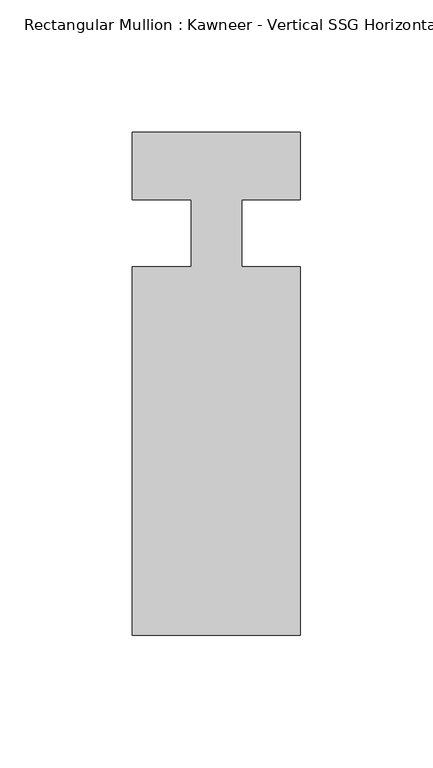
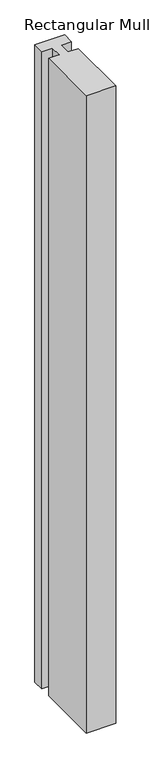
"""IFC4 building model written with IfcOpenShell, lengths in millimetres: member geometry."""

import ifcopenshell
import ifcopenshell.guid

model = None  # the IFC model being written
_history = None  # IfcOwnerHistory: only IFC2X3 demands one
_inside = {}  # id of a spatial element -> (the spatial element, [elements in it])
_under = {}  # id of a project, library or spatial element -> (it, [spatial elements below it])
_declared = {}  # id of a project -> (the project, [libraries it declares])
_typed = {}  # id of a type object -> (the type object, [elements of that type])
_made_of = {}  # id of a material, layer set ... -> (it, [elements and type objects made of it])


def new_model(schema):
    """Start an empty IFC model of exactly this schema.

    Asked for "IFC4X3", IfcOpenShell would pick the latest addendum, in which some entities
    have other attributes; the version numbers below select the first issue.
    IFC2X3 requires an IfcOwnerHistory on every rooted entity: one is made here for all.
    """
    global model, _history
    if schema == "IFC4X3":
        model = ifcopenshell.file(schema_version=(4, 3, 0, 0))
    else:
        model = ifcopenshell.file(schema=schema)
    _inside.clear()
    _under.clear()
    _declared.clear()
    _typed.clear()
    _made_of.clear()
    _history = None
    if model.schema == "IFC2X3":
        org = make("IfcOrganization", Name="unknown")
        user = make(
            "IfcPersonAndOrganization",
            ThePerson=make("IfcPerson", FamilyName="unknown"),
            TheOrganization=org,
        )
        app = make(
            "IfcApplication",
            ApplicationDeveloper=org,
            Version="unknown",
            ApplicationFullName="unknown",
            ApplicationIdentifier="unknown",
        )
        _history = make(
            "IfcOwnerHistory",
            OwningUser=user,
            OwningApplication=app,
            ChangeAction="ADDED",
            CreationDate=0,
        )
    return model


def make(cls, **values):
    """One entity of the class cls with the attributes given. An attribute that is None is left unset."""
    return model.create_entity(
        cls, **{name: value for name, value in values.items() if value is not None}
    )


def rooted(cls, **values):
    """An entity with a GlobalId (a new one), such as an element, a storey or a relation."""
    return make(cls, GlobalId=ifcopenshell.guid.new(), OwnerHistory=_history, **values)


def si_unit(unit_type, name, prefix=None):
    """IfcSIUnit, for example si_unit("LENGTHUNIT", "METRE", prefix="MILLI")."""
    return make("IfcSIUnit", UnitType=unit_type, Prefix=prefix, Name=name)


def assignment(units):
    """IfcUnitAssignment: the units of a project."""
    return None if units is None else make("IfcUnitAssignment", Units=units)


def point(xyz):
    """IfcCartesianPoint."""
    return None if xyz is None else make("IfcCartesianPoint", Coordinates=xyz)


def direction(xyz):
    """IfcDirection."""
    return None if xyz is None else make("IfcDirection", DirectionRatios=xyz)


def frame(location, z_axis=None, x_axis=None):
    """IfcAxis2Placement3D, a coordinate frame: its origin and axes. An axis left out is left unset."""
    return make(
        "IfcAxis2Placement3D",
        Location=point(location),
        Axis=direction(z_axis),
        RefDirection=direction(x_axis),
    )


def origin():
    """The frame at (0, 0, 0) with its axes left unset."""
    return frame((0.0, 0.0, 0.0))


def place(relative_to, where):
    """IfcLocalPlacement: puts the frame where relative to a parent placement (None: the world)."""
    return make(
        "IfcLocalPlacement", PlacementRelTo=relative_to, RelativePlacement=where
    )


def context(
    kind, dimensions, precision=None, world=None, true_north=None, identifier=None
):
    """IfcGeometricRepresentationContext, for example the 3D "Model" context."""
    return make(
        "IfcGeometricRepresentationContext",
        ContextIdentifier=identifier,
        ContextType=kind,
        CoordinateSpaceDimension=dimensions,
        Precision=precision,
        WorldCoordinateSystem=world,
        TrueNorth=true_north,
    )


def project(units=None, contexts=None):
    """IfcProject with its units and contexts."""
    return rooted(
        "IfcProject",
        Name="project",
        RepresentationContexts=contexts,
        UnitsInContext=assignment(units),
    )


def spatial(cls, under=None, at=None, **own):
    """A site, building, storey or space (cls), placed at a placement, below another one or the project."""
    s = rooted(cls, ObjectPlacement=at, **own)
    if under is not None:
        _under.setdefault(under.id(), (under, []))[1].append(s)
    return s


def polyline(points):
    """IfcPolyline through the points."""
    return make("IfcPolyline", Points=[point(p) for p in points])


def outline(outer, holes=None, kind="AREA"):
    """IfcArbitraryClosedProfileDef: a profile drawn as a closed curve; with holes, ...WithVoids."""
    if holes is None:
        return make("IfcArbitraryClosedProfileDef", ProfileType=kind, OuterCurve=outer)
    return make(
        "IfcArbitraryProfileDefWithVoids",
        ProfileType=kind,
        OuterCurve=outer,
        InnerCurves=holes,
    )


def extrude(swept, where, along, depth):
    """IfcExtrudedAreaSolid: the profile swept, set in the frame where, extruded along a direction by depth."""
    return make(
        "IfcExtrudedAreaSolid",
        SweptArea=swept,
        Position=where,
        ExtrudedDirection=direction(along),
        Depth=depth,
    )


def shape(context_of_items, identifier, shape_type, items):
    """IfcShapeRepresentation: the items that make up one representation, for example the "Body"."""
    return make(
        "IfcShapeRepresentation",
        ContextOfItems=context_of_items,
        RepresentationIdentifier=identifier,
        RepresentationType=shape_type,
        Items=items,
    )


def source(mapping_origin, context_of_items, identifier, shape_type, items):
    """IfcRepresentationMap: a shape defined once, which mapped items show again and again."""
    return make(
        "IfcRepresentationMap",
        MappingOrigin=mapping_origin,
        MappedRepresentation=shape(context_of_items, identifier, shape_type, items),
    )


def transform(
    local_origin,
    x_axis=None,
    y_axis=None,
    z_axis=None,
    scale=None,
    scale2=None,
    scale3=None,
    uniform=True,
):
    """IfcCartesianTransformationOperator3D, or its non-uniform kind. x_axis, y_axis, z_axis: its Axis1, 2, 3."""
    if uniform:
        return make(
            "IfcCartesianTransformationOperator3D",
            Axis1=direction(x_axis),
            Axis2=direction(y_axis),
            LocalOrigin=point(local_origin),
            Scale=scale,
            Axis3=direction(z_axis),
        )
    return make(
        "IfcCartesianTransformationOperator3DnonUniform",
        Axis1=direction(x_axis),
        Axis2=direction(y_axis),
        LocalOrigin=point(local_origin),
        Scale=scale,
        Axis3=direction(z_axis),
        Scale2=scale2,
        Scale3=scale3,
    )


def mapped(mapping_source, mapping_target):
    """IfcMappedItem: shows the shape of a source again, moved by a transform."""
    return make(
        "IfcMappedItem", MappingSource=mapping_source, MappingTarget=mapping_target
    )


def made_of(thing, what):
    """Note that an element or type object is made of a material, layer set ...; save() writes the relation."""
    if what is not None:
        _made_of.setdefault(what.id(), (what, []))[1].append(thing)
    return thing


def element(
    cls,
    number,
    at=None,
    inside=None,
    cuts=None,
    type_object=None,
    material=None,
    context=None,
    identifier="Body",
    shape_type=None,
    held_by="IfcProductDefinitionShape",
    body=None,
    shapes=None,
    **own,
):
    """One element of the class cls, such as IfcWall. Its Tag is "e" and its number.

    at: its placement. inside: the storey or other place that contains it. cuts: it is an
    opening in that element (IfcRelVoidsElement). A single representation is given by context,
    identifier, shape_type and body (its items); several are given by shapes. held_by: the class
    of the entity that holds the representations. save() writes the other relations.
    """
    e = rooted(cls, Tag="e%d" % number, ObjectPlacement=at, **own)
    if body is not None:
        shapes = [shape(context, identifier, shape_type, body)]
    if shapes is not None:
        e.Representation = make(held_by, Representations=shapes)
    if inside is not None:
        _inside.setdefault(inside.id(), (inside, []))[1].append(e)
    if cuts is not None:
        rooted(
            "IfcRelVoidsElement", RelatingBuildingElement=cuts, RelatedOpeningElement=e
        )
    if type_object is not None:
        _typed.setdefault(type_object.id(), (type_object, []))[1].append(e)
    return made_of(e, material)


def aggregate(whole, parts):
    """IfcRelAggregates: a whole, such as a stair, and the parts it consists of."""
    return rooted("IfcRelAggregates", RelatingObject=whole, RelatedObjects=parts)


def save(model, path):
    """Write the relations noted so far, then the file.

    IfcRelAggregates (storeys below a building ...), IfcRelContainedInSpatialStructure (elements
    in a storey), IfcRelDefinesByType, IfcRelAssociatesMaterial and IfcRelDeclares: one each for
    every whole, place, type object, material and project.
    """
    for whole, parts in _under.values():
        aggregate(whole, parts)
    for where, things in _inside.values():
        rooted(
            "IfcRelContainedInSpatialStructure",
            RelatedElements=things,
            RelatingStructure=where,
        )
    for kind, things in _typed.values():
        rooted("IfcRelDefinesByType", RelatedObjects=things, RelatingType=kind)
    for what, things in _made_of.values():
        rooted("IfcRelAssociatesMaterial", RelatedObjects=things, RelatingMaterial=what)
    for by, libraries in _declared.values():
        rooted("IfcRelDeclares", RelatingContext=by, RelatedDefinitions=libraries)
    model.write(path)


def member_0bd42fb9(model_context):
    return source(origin(), model_context, "Body", "SweptSolid", [
        extrude(outline(polyline([(-9.525, 12.7), (-31.75, 12.7), (-31.75, 38.1), (31.75, 38.1), (31.75, 12.7), (9.5251132, 12.7), (9.5251132, -12.7), (31.75, -12.7), (31.75, -151.892), (-31.75, -151.892), (-31.75, -12.7), (-9.525, -12.7), (-9.525, 12.7)])), frame((0.0, 0.0, -1440.3150925), z_axis=(0.0, 0.0, 1.0), x_axis=(1.0, 0.0, 0.0)), (0.0, 0.0, 1.0), 1440.3150925),
    ])


if __name__ == "__main__":
    model = new_model("IFC4")
    model_context = context("Model", 3, world=origin())
    ifc_project = project(units=[si_unit("LENGTHUNIT", "METRE", prefix="MILLI")], contexts=[model_context])
    site = spatial("IfcSite", under=ifc_project)
    building = spatial("IfcBuilding", under=site)
    placement = place(None, origin())
    member_shape = member_0bd42fb9(model_context)
    element("IfcMember", 1, ObjectType="Rectangular Mullion : Kawneer - Vertical SSG Horizontal Mullion - 7 1/2\"", at=placement, inside=building, context=model_context, shape_type="MappedRepresentation", body=[
        mapped(member_shape, transform((0.0, 0.0, 0.0), x_axis=(1.0, 0.0, 0.0), y_axis=(0.0, 1.0, 0.0), z_axis=(0.0, 0.0, 1.0))),
    ])
    save(model, "model.ifc")
